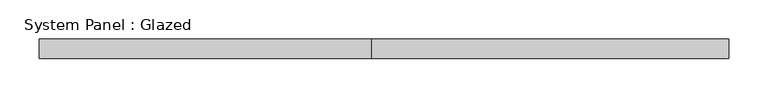
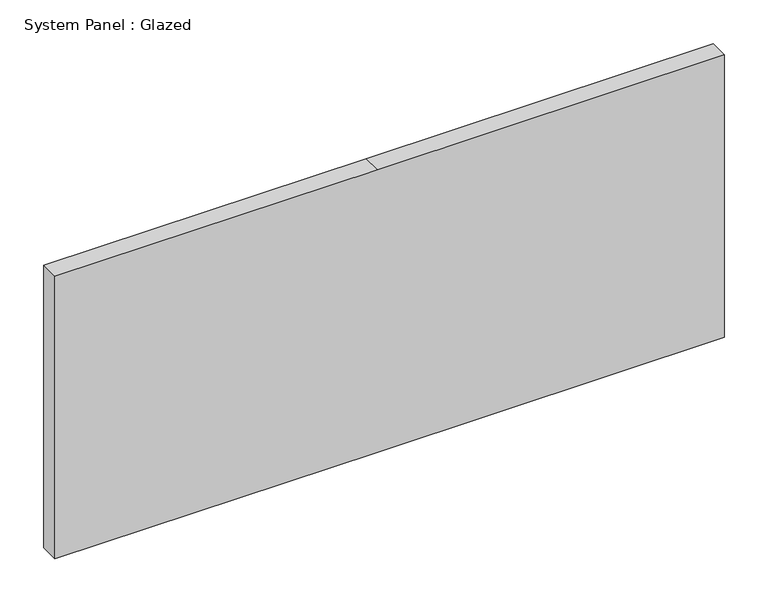
"""IFC4 building model written with IfcOpenShell, lengths in millimetres: plate geometry, System Panel : Glazed."""

import ifcopenshell
import ifcopenshell.guid

model = None  # the IFC model being written
_history = None  # IfcOwnerHistory: only IFC2X3 demands one
_inside = {}  # id of a spatial element -> (the spatial element, [elements in it])
_under = {}  # id of a project, library or spatial element -> (it, [spatial elements below it])
_declared = {}  # id of a project -> (the project, [libraries it declares])
_typed = {}  # id of a type object -> (the type object, [elements of that type])
_made_of = {}  # id of a material, layer set ... -> (it, [elements and type objects made of it])


def new_model(schema):
    """Start an empty IFC model of exactly this schema.

    Asked for "IFC4X3", IfcOpenShell would pick the latest addendum, in which some entities
    have other attributes; the version numbers below select the first issue.
    IFC2X3 requires an IfcOwnerHistory on every rooted entity: one is made here for all.
    """
    global model, _history
    if schema == "IFC4X3":
        model = ifcopenshell.file(schema_version=(4, 3, 0, 0))
    else:
        model = ifcopenshell.file(schema=schema)
    _inside.clear()
    _under.clear()
    _declared.clear()
    _typed.clear()
    _made_of.clear()
    _history = None
    if model.schema == "IFC2X3":
        org = make("IfcOrganization", Name="unknown")
        user = make(
            "IfcPersonAndOrganization",
            ThePerson=make("IfcPerson", FamilyName="unknown"),
            TheOrganization=org,
        )
        app = make(
            "IfcApplication",
            ApplicationDeveloper=org,
            Version="unknown",
            ApplicationFullName="unknown",
            ApplicationIdentifier="unknown",
        )
        _history = make(
            "IfcOwnerHistory",
            OwningUser=user,
            OwningApplication=app,
            ChangeAction="ADDED",
            CreationDate=0,
        )
    return model


def make(cls, **values):
    """One entity of the class cls with the attributes given. An attribute that is None is left unset."""
    return model.create_entity(
        cls, **{name: value for name, value in values.items() if value is not None}
    )


def rooted(cls, **values):
    """An entity with a GlobalId (a new one), such as an element, a storey or a relation."""
    return make(cls, GlobalId=ifcopenshell.guid.new(), OwnerHistory=_history, **values)


def si_unit(unit_type, name, prefix=None):
    """IfcSIUnit, for example si_unit("LENGTHUNIT", "METRE", prefix="MILLI")."""
    return make("IfcSIUnit", UnitType=unit_type, Prefix=prefix, Name=name)


def assignment(units):
    """IfcUnitAssignment: the units of a project."""
    return None if units is None else make("IfcUnitAssignment", Units=units)


def point(xyz):
    """IfcCartesianPoint."""
    return None if xyz is None else make("IfcCartesianPoint", Coordinates=xyz)


def direction(xyz):
    """IfcDirection."""
    return None if xyz is None else make("IfcDirection", DirectionRatios=xyz)


def frame(location, z_axis=None, x_axis=None):
    """IfcAxis2Placement3D, a coordinate frame: its origin and axes. An axis left out is left unset."""
    return make(
        "IfcAxis2Placement3D",
        Location=point(location),
        Axis=direction(z_axis),
        RefDirection=direction(x_axis),
    )


def origin():
    """The frame at (0, 0, 0) with its axes left unset."""
    return frame((0.0, 0.0, 0.0))


def place(relative_to, where):
    """IfcLocalPlacement: puts the frame where relative to a parent placement (None: the world)."""
    return make(
        "IfcLocalPlacement", PlacementRelTo=relative_to, RelativePlacement=where
    )


def context(
    kind, dimensions, precision=None, world=None, true_north=None, identifier=None
):
    """IfcGeometricRepresentationContext, for example the 3D "Model" context."""
    return make(
        "IfcGeometricRepresentationContext",
        ContextIdentifier=identifier,
        ContextType=kind,
        CoordinateSpaceDimension=dimensions,
        Precision=precision,
        WorldCoordinateSystem=world,
        TrueNorth=true_north,
    )


def project(units=None, contexts=None):
    """IfcProject with its units and contexts."""
    return rooted(
        "IfcProject",
        Name="project",
        RepresentationContexts=contexts,
        UnitsInContext=assignment(units),
    )


def spatial(cls, under=None, at=None, **own):
    """A site, building, storey or space (cls), placed at a placement, below another one or the project."""
    s = rooted(cls, ObjectPlacement=at, **own)
    if under is not None:
        _under.setdefault(under.id(), (under, []))[1].append(s)
    return s


def polyline(points):
    """IfcPolyline through the points."""
    return make("IfcPolyline", Points=[point(p) for p in points])


def outline(outer, holes=None, kind="AREA"):
    """IfcArbitraryClosedProfileDef: a profile drawn as a closed curve; with holes, ...WithVoids."""
    if holes is None:
        return make("IfcArbitraryClosedProfileDef", ProfileType=kind, OuterCurve=outer)
    return make(
        "IfcArbitraryProfileDefWithVoids",
        ProfileType=kind,
        OuterCurve=outer,
        InnerCurves=holes,
    )


def extrude(swept, where, along, depth):
    """IfcExtrudedAreaSolid: the profile swept, set in the frame where, extruded along a direction by depth."""
    return make(
        "IfcExtrudedAreaSolid",
        SweptArea=swept,
        Position=where,
        ExtrudedDirection=direction(along),
        Depth=depth,
    )


def shape(context_of_items, identifier, shape_type, items):
    """IfcShapeRepresentation: the items that make up one representation, for example the "Body"."""
    return make(
        "IfcShapeRepresentation",
        ContextOfItems=context_of_items,
        RepresentationIdentifier=identifier,
        RepresentationType=shape_type,
        Items=items,
    )


def source(mapping_origin, context_of_items, identifier, shape_type, items):
    """IfcRepresentationMap: a shape defined once, which mapped items show again and again."""
    return make(
        "IfcRepresentationMap",
        MappingOrigin=mapping_origin,
        MappedRepresentation=shape(context_of_items, identifier, shape_type, items),
    )


def transform(
    local_origin,
    x_axis=None,
    y_axis=None,
    z_axis=None,
    scale=None,
    scale2=None,
    scale3=None,
    uniform=True,
):
    """IfcCartesianTransformationOperator3D, or its non-uniform kind. x_axis, y_axis, z_axis: its Axis1, 2, 3."""
    if uniform:
        return make(
            "IfcCartesianTransformationOperator3D",
            Axis1=direction(x_axis),
            Axis2=direction(y_axis),
            LocalOrigin=point(local_origin),
            Scale=scale,
            Axis3=direction(z_axis),
        )
    return make(
        "IfcCartesianTransformationOperator3DnonUniform",
        Axis1=direction(x_axis),
        Axis2=direction(y_axis),
        LocalOrigin=point(local_origin),
        Scale=scale,
        Axis3=direction(z_axis),
        Scale2=scale2,
        Scale3=scale3,
    )


def mapped(mapping_source, mapping_target):
    """IfcMappedItem: shows the shape of a source again, moved by a transform."""
    return make(
        "IfcMappedItem", MappingSource=mapping_source, MappingTarget=mapping_target
    )


def made_of(thing, what):
    """Note that an element or type object is made of a material, layer set ...; save() writes the relation."""
    if what is not None:
        _made_of.setdefault(what.id(), (what, []))[1].append(thing)
    return thing


def element(
    cls,
    number,
    at=None,
    inside=None,
    cuts=None,
    type_object=None,
    material=None,
    context=None,
    identifier="Body",
    shape_type=None,
    held_by="IfcProductDefinitionShape",
    body=None,
    shapes=None,
    **own,
):
    """One element of the class cls, such as IfcWall. Its Tag is "e" and its number.

    at: its placement. inside: the storey or other place that contains it. cuts: it is an
    opening in that element (IfcRelVoidsElement). A single representation is given by context,
    identifier, shape_type and body (its items); several are given by shapes. held_by: the class
    of the entity that holds the representations. save() writes the other relations.
    """
    e = rooted(cls, Tag="e%d" % number, ObjectPlacement=at, **own)
    if body is not None:
        shapes = [shape(context, identifier, shape_type, body)]
    if shapes is not None:
        e.Representation = make(held_by, Representations=shapes)
    if inside is not None:
        _inside.setdefault(inside.id(), (inside, []))[1].append(e)
    if cuts is not None:
        rooted(
            "IfcRelVoidsElement", RelatingBuildingElement=cuts, RelatedOpeningElement=e
        )
    if type_object is not None:
        _typed.setdefault(type_object.id(), (type_object, []))[1].append(e)
    return made_of(e, material)


def aggregate(whole, parts):
    """IfcRelAggregates: a whole, such as a stair, and the parts it consists of."""
    return rooted("IfcRelAggregates", RelatingObject=whole, RelatedObjects=parts)


def save(model, path):
    """Write the relations noted so far, then the file.

    IfcRelAggregates (storeys below a building ...), IfcRelContainedInSpatialStructure (elements
    in a storey), IfcRelDefinesByType, IfcRelAssociatesMaterial and IfcRelDeclares: one each for
    every whole, place, type object, material and project.
    """
    for whole, parts in _under.values():
        aggregate(whole, parts)
    for where, things in _inside.values():
        rooted(
            "IfcRelContainedInSpatialStructure",
            RelatedElements=things,
            RelatingStructure=where,
        )
    for kind, things in _typed.values():
        rooted("IfcRelDefinesByType", RelatedObjects=things, RelatingType=kind)
    for what, things in _made_of.values():
        rooted("IfcRelAssociatesMaterial", RelatedObjects=things, RelatingMaterial=what)
    for by, libraries in _declared.values():
        rooted("IfcRelDeclares", RelatingContext=by, RelatedDefinitions=libraries)
    model.write(path)


def system_panel_glazed_8938f930(model_context):
    return source(origin(), model_context, "Body", "SweptSolid", [
        extrude(outline(polyline([(0.0, -441.325), (0.0, -15.875), (0.0, 441.325), (393.7, 441.325), (393.7, -15.875), (393.7, -441.325), (0.0, -441.325)])), frame((0.0, 19.05, 0.0), z_axis=(0.0, 1.0, 0.0), x_axis=(0.0, 0.0, 1.0)), (0.0, 0.0, 1.0), 25.4),
    ])


if __name__ == "__main__":
    model = new_model("IFC4")
    model_context = context("Model", 3, world=origin())
    ifc_project = project(units=[si_unit("LENGTHUNIT", "METRE", prefix="MILLI")], contexts=[model_context])
    site = spatial("IfcSite", under=ifc_project)
    building = spatial("IfcBuilding", under=site)
    placement = place(None, origin())
    system_panel_glazed_shape = system_panel_glazed_8938f930(model_context)
    element("IfcPlate", 1, ObjectType="System Panel : Glazed", at=placement, inside=building, context=model_context, shape_type="MappedRepresentation", body=[
        mapped(system_panel_glazed_shape, transform((0.0, 0.0, 0.0), x_axis=(1.0, 0.0, 0.0), y_axis=(0.0, 1.0, 0.0), z_axis=(0.0, 0.0, 1.0))),
    ])
    save(model, "model.ifc")
